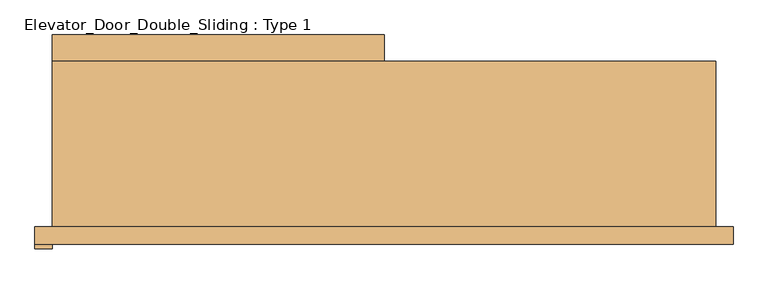
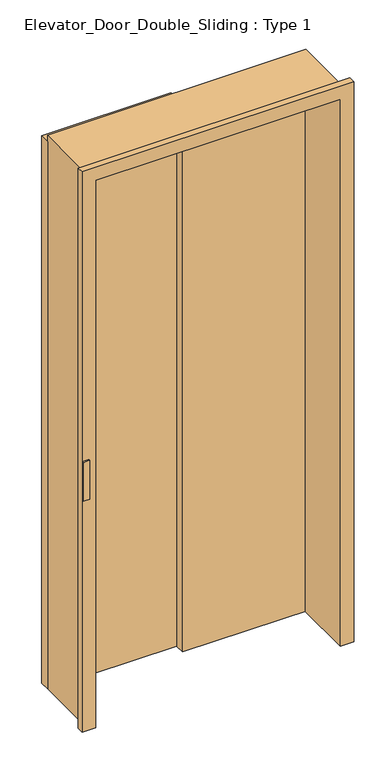
"""IFC4 building model written with IfcOpenShell, lengths in millimetres: door geometry, Elevator_Door_Double_Sliding : Type 1."""

from ifc_helpers import new_model, si_unit, frame, origin, origin_with_axes, place, context, project, spatial, polyline, outline, extrude, faceted_brep, source, transform, mapped, element, save


def elevator_door_double_sliding_type_1_440e699e(model_context):
    return source(origin(), model_context, "Body", "SolidModel", [
        extrude(outline(polyline([(0.0, 139.7), (482.6, 139.7), (482.6, 101.6), (0.0, 101.6), (0.0, 139.7)])), origin_with_axes(), (0.0, 0.0, 1.0), 2159.0),
        extrude(outline(polyline([(-482.6, 139.7), (-482.6, 177.8), (0.0, 177.8), (0.0, 139.7), (-482.6, 139.7)])), origin_with_axes(), (0.0, 0.0, 1.0), 2159.0),
        faceted_brep([(-457.2, 139.7, 0.0), (-457.2, -127.0, 0.0), (-508.0, -127.0, 0.0), (-508.0, -101.6, 0.0), (-482.6, -101.6, 0.0), (-482.6, 139.7, 0.0), (482.6, 139.7, 2159.0), (-457.2, 139.7, 2159.0), (-482.6, 139.7, 2184.4), (482.6, 139.7, 2184.4), (-482.6, -101.6, 2184.4), (-508.0, -101.6, 2209.8), (508.0, -101.6, 2209.8), (508.0, -101.6, 0.0), (482.6, -101.6, 0.0), (482.6, -101.6, 2184.4), (-508.0, -127.0, 2209.8), (-457.2, -127.0, 2159.0), (457.2, -127.0, 2159.0), (457.2, -127.0, 0.0), (508.0, -127.0, 0.0), (508.0, -127.0, 2209.8), (457.2, 101.6, 2159.0), (482.6, 101.6, 2159.0), (482.6, 101.6, 0.0), (457.2, 101.6, 0.0)], [[[0, 1, 2, 3, 4, 5]], [[6, 7, 0, 5, 8, 9]], [[4, 10, 8, 5]], [[3, 11, 12, 13, 14, 15, 10, 4]], [[2, 16, 11, 3]], [[1, 17, 18, 19, 20, 21, 16, 2]], [[0, 7, 17, 1]], [[22, 23, 24, 25]], [[25, 19, 18, 22]], [[24, 14, 13, 20, 19, 25]], [[14, 24, 23, 6, 9, 15]], [[12, 21, 20, 13]], [[7, 6, 23, 22, 18, 17]], [[10, 15, 9, 8]], [[11, 16, 21, 12]]]),
        extrude(outline(polyline([(-482.6, -127.0), (-482.6, -133.35), (-508.0, -133.35), (-508.0, -127.0), (-482.6, -127.0)])), frame((0.0, 0.0, 914.4), z_axis=(0.0, 0.0, 1.0), x_axis=(1.0, 0.0, 0.0)), (0.0, 0.0, 1.0), 152.4),
    ])


if __name__ == "__main__":
    model = new_model("IFC4")
    model_context = context("Model", 3, world=origin())
    ifc_project = project(units=[si_unit("LENGTHUNIT", "METRE", prefix="MILLI")], contexts=[model_context])
    site = spatial("IfcSite", under=ifc_project)
    building = spatial("IfcBuilding", under=site)
    placement = place(None, origin())
    elevator_door_double_sliding_type_1_shape = elevator_door_double_sliding_type_1_440e699e(model_context)
    element("IfcDoor", 1, ObjectType="Elevator_Door_Double_Sliding : Type 1", at=placement, inside=building, context=model_context, shape_type="MappedRepresentation", body=[
        mapped(elevator_door_double_sliding_type_1_shape, transform((0.0, 0.0, 0.0), x_axis=(1.0, 0.0, 0.0), y_axis=(0.0, 1.0, 0.0), z_axis=(0.0, 0.0, 1.0))),
    ])
    save(model, "model.ifc")
